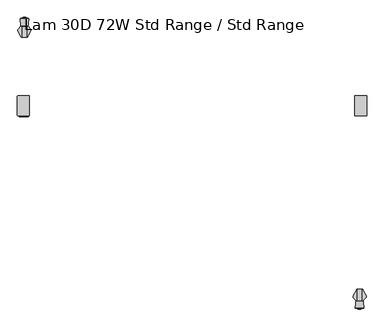
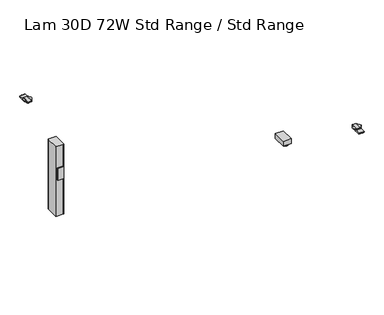
"""IFC4 building model written with IfcOpenShell, lengths in millimetres: furniture geometry, Lam 30D 72W Std Range / Std Range."""

from ifc_helpers import new_model, si_unit, point, frame, frame_2d, origin, place, context, project, spatial, polyline, circle_curve, ellipse_curve, trimmed, segment, composite_curve, outline, extrude, faceted_brep, source, transform, mapped, element, save
from ifc_brep_helpers import plane_surface, cylinder_surface, revolved_surface, advanced_brep


def lam_30d_72w_std_range_std_range_59299fb4(model_context):
    return source(origin(), model_context, "Body", "SolidModel", [
        advanced_brep(
        [(1001.776, 671.3030475, 10.2361894), (1001.776, 657.2832975, 10.2361894), (1001.776, 657.6704727, 8.7946116), (1001.776, 670.9158723, 8.7946116), (1001.776, 664.2931725, 10.2361894), (1001.776, 685.2500609, 0.0), (1001.776, 643.3362842, 0.0), (1001.776, 664.2931725, 0.0), (1001.776, 686.7937912, 1.5436985), (1001.776, 641.7925538, 1.5436985), (1001.776, 686.7937365, 4.1072626), (1001.776, 641.7926085, 4.1072626), (1001.776, 685.2538961, 5.9174378), (1001.776, 643.3324489, 5.9174378)],
        [
            (0, 1, circle_curve(frame((1001.776, 664.2931725, 10.2361894), z_axis=(0.0, 0.0, -1.0), x_axis=(0.0, -1.0000000000000004, 0.0)), 7.009875)),
            (1, 2),
            (2, 3, circle_curve(frame((1001.776, 664.2931725, 8.7946116), z_axis=(0.0, 0.0, 1.0), x_axis=(0.0, -1.0000000000000004, 0.0)), 6.6226998)),
            (3, 0),
            (1, 0, circle_curve(frame((1001.776, 664.2931725, 10.2361894), z_axis=(0.0, 0.0, -1.0), x_axis=(0.0, -1.0000000000000004, 0.0)), 7.009875)),
            (3, 2, circle_curve(frame((1001.776, 664.2931725, 8.7946116), z_axis=(0.0, 0.0, 1.0), x_axis=(0.0, -1.0000000000000004, 0.0)), 6.6226998)),
            (4, 1),
            (0, 4),
            (5, 6, circle_curve(frame((1001.776, 664.2931725, 0.0), z_axis=(0.0, 0.0, -1.0), x_axis=(0.0, -1.0000000000000004, 0.0)), 20.9568884)),
            (6, 7),
            (7, 5),
            (6, 5, circle_curve(frame((1001.776, 664.2931725, 0.0), z_axis=(0.0, 0.0, -1.0), x_axis=(0.0, -1.0000000000000004, 0.0)), 20.9568884)),
            (8, 9, circle_curve(frame((1001.776, 664.2931725, 1.5436985), z_axis=(0.0, 0.0, -1.0), x_axis=(0.0, -1.0000000000000004, 0.0)), 22.5006187)),
            (9, 6),
            (5, 8),
            (9, 8, circle_curve(frame((1001.776, 664.2931725, 1.5436985), z_axis=(0.0, 0.0, -1.0), x_axis=(0.0, -1.0000000000000004, 0.0)), 22.5006187)),
            (10, 11, circle_curve(frame((1001.776, 664.2931725, 4.1072626), z_axis=(0.0, 0.0, -1.0), x_axis=(0.0, -1.0000000000000004, 0.0)), 22.500564)),
            (11, 9),
            (8, 10),
            (11, 10, circle_curve(frame((1001.776, 664.2931725, 4.1072626), z_axis=(0.0, 0.0, -1.0), x_axis=(0.0, -1.0000000000000004, 0.0)), 22.500564)),
            (12, 13, circle_curve(frame((1001.776, 664.2931725, 5.9174378), z_axis=(0.0, 0.0, -1.0), x_axis=(0.0, -1.0000000000000004, 0.0)), 20.9607236)),
            (13, 11),
            (10, 12),
            (13, 12, circle_curve(frame((1001.776, 664.2931725, 5.9174378), z_axis=(0.0, 0.0, -1.0), x_axis=(0.0, -1.0000000000000004, 0.0)), 20.9607236)),
            (2, 13),
            (12, 3),
        ],
        [
            revolved_surface(polyline([(1001.776, 657.6704727, 8.7946116), (1001.776, 657.2832975, 10.2361894)]), (1001.776, 664.2931725, 0.0), (0.0, 0.0, 1.0)),
            plane_surface(frame((1001.776, 664.2931725, 10.2361894), z_axis=(0.0, 0.0, 1.0), x_axis=(0.0, -1.0, 0.0))),
            plane_surface(frame((1001.776, 664.2931725, 0.0), z_axis=(0.0, 0.0, -1.0), x_axis=(0.0, -1.0, 0.0))),
            revolved_surface(polyline([(1001.776, 643.3362842, 0.0), (1001.776, 641.7925538, 1.5436985)]), (1001.776, 664.2931725, 0.0), (0.0, 0.0, 1.0)),
            cylinder_surface(frame((1001.776, 664.2931725, 0.0), z_axis=(0.0, 0.0, 1.0), x_axis=(0.0, -1.0000000000000004, 0.0)), 22.500564),
            revolved_surface(polyline([(1001.776, 641.792463, 4.1072626), (1001.776, 643.3324489, 5.9174378)]), (1001.776, 664.2931725, 0.0), (0.0, 0.0, 1.0)),
            revolved_surface(polyline([(1001.776, 643.3324489, 5.9174378), (1001.776, 657.6704727, 8.7946116)]), (1001.776, 664.2931725, 0.0), (0.0, 0.0, 1.0)),
        ],
        [
            (0, [[1, 2, 3, 4]]),
            (0, [[5, -4, 6, -2]]),
            (1, [[7, -1, 8]]),
            (1, [[-8, -5, -7]]),
            (2, [[9, 10, 11]]),
            (2, [[12, -11, -10]]),
            (3, [[13, 14, -9, 15]]),
            (3, [[16, -15, -12, -14]]),
            (4, [[17, 18, -13, 19]]),
            (4, [[20, -19, -16, -18]]),
            (5, [[21, 22, -17, 23]]),
            (5, [[24, -23, -20, -22]]),
            (6, [[-3, 25, -21, 26]]),
            (6, [[-6, -26, -24, -25]]),
        ],
    ),
        extrude(outline(polyline([(971.8675, 639.5370001), (971.8675, 738.9199959), (1031.6845, 738.9199959), (1031.6845, 639.5370001), (971.8675, 639.5370001)])), frame((0.0, 0.0, 10.2361894), z_axis=(0.0, 0.0, 1.0), x_axis=(1.0, 0.0, 0.0)), (0.0, 0.0, 1.0), 37.8638679),
        extrude(outline(composite_curve([segment(trimmed(circle_curve(frame_2d((-724.5521079, 641.6631049)), 2.3323921), [point((-724.5521079, 639.3307128))], [point((-726.8845, 641.6631049))], False, "CARTESIAN"), True, "CONTINUOUS"), segment(polyline([(-726.8845, 641.6631049), (-726.8845, 736.9473207)]), True, "CONTINUOUS"), segment(trimmed(circle_curve(frame_2d((-724.5521079, 736.9473207)), 2.3323921), [point((-726.8845, 736.9473207))], [point((-724.5521079, 739.2797128))], False, "CARTESIAN"), True, "CONTINUOUS"), segment(polyline([(-724.5521079, 739.2797128), (-669.3998921, 739.2797128)]), True, "CONTINUOUS"), segment(trimmed(circle_curve(frame_2d((-669.3998921, 736.9473207)), 2.3323921), [point((-669.3998921, 739.2797128))], [point((-667.0675, 736.9473207))], False, "CARTESIAN"), True, "CONTINUOUS"), segment(polyline([(-667.0675, 736.9473207), (-667.0675, 641.6631049)]), True, "CONTINUOUS"), segment(trimmed(circle_curve(frame_2d((-669.3998921, 641.6631049)), 2.3323921), [point((-667.0675, 641.6631049))], [point((-669.3998921, 639.3307128))], False, "CARTESIAN"), True, "CONTINUOUS"), segment(polyline([(-669.3998921, 639.3307128), (-724.5521079, 639.3307128)]), True, "CONTINUOUS")], self_intersect=False)), frame((0.0, 0.0, 48.1000573), z_axis=(0.0, 0.0, 1.0), x_axis=(1.0, 0.0, 0.0)), (0.0, 0.0, 1.0), 550.9989485),
        advanced_brep(
        [(-677.6331697, 1035.3628978, 707.009), (-677.6331697, 1035.3628978, 699.7601819), (-676.51166, 1035.3628978, 699.6867914), (-676.51166, 1035.3628978, 707.009), (-673.3278093, 1090.8360352, 703.3228106), (-673.4778673, 1090.8360352, 701.0297138), (-673.8572398, 1090.8360352, 699.5130886), (-677.6331697, 1090.8360352, 699.7601819), (-677.6331697, 1090.8360352, 707.009), (-672.9573081, 1090.8360352, 707.009), (-672.9573081, 1090.8360352, 703.6693631), (-659.2556977, 1066.9139656, 707.009), (-659.2556977, 1072.0993849, 707.009), (-661.1637879, 1075.6879807, 707.009), (-672.9573081, 1088.8863381, 707.009), (-659.5338057, 1066.4054686, 706.0591307), (-659.5338057, 1073.0132102, 706.0591307), (-660.124758, 1065.3249623, 705.2654291), (-660.124758, 1074.2706593, 705.2654291), (-661.0021754, 1063.7206789, 704.7271625), (-661.0021754, 1075.5057944, 704.7271625), (-663.834924, 1058.5412376, 704.5095886), (-663.834924, 1078.6773009, 704.5095886), (-661.1637879, 1075.6879807, 704.7147496), (-672.05964, 1043.50304, 704.5090072), (-672.05964, 1087.8817403, 704.5090072), (-673.3278093, 1041.1842996, 703.3228106), (-672.9573081, 1088.8863381, 703.6693631), (-673.4778673, 1040.9099312, 701.0297138), (-673.8572398, 1040.2162807, 699.5130886)],
        [
            (0, 1),
            (1, 2),
            (2, 3),
            (3, 0),
            (4, 5),
            (5, 6),
            (6, 7),
            (7, 8),
            (8, 9),
            (9, 10),
            (10, 4),
            (8, 0),
            (3, 11),
            (11, 12),
            (12, 13, circle_curve(frame((-667.1824137, 1070.1862479, 707.009), z_axis=(0.0, 0.0, 1.0), x_axis=(-1.0000000000000004, 0.0, 0.0)), 8.1543192)),
            (13, 14),
            (14, 9),
            (11, 15),
            (15, 16),
            (16, 12, ellipse_curve(frame((-667.1824137, 1070.1862479, 679.9355466), z_axis=(0.9597108497777287, 0.0, -0.28098947456961787), x_axis=(-0.28098947456961787, 0.0, -0.9597108497777287)), 29.0200165, 8.1543192)),
            (15, 17),
            (17, 18),
            (18, 16, ellipse_curve(frame((-667.1824137, 1070.1862479, 695.7863691), z_axis=(0.8020925083963487, 0.0, -0.5971998057387943), x_axis=(-0.5971998057387944, 0.0, -0.8020925083963485)), 13.6542563, 8.1543192)),
            (17, 19),
            (19, 20),
            (20, 18, ellipse_curve(frame((-667.1824137, 1070.1862479, 700.9357905), z_axis=(0.5229113139159308, 0.0, -0.8523870938597763), x_axis=(-0.8523870938597765, 0.0, -0.5229113139159306)), 9.5664508, 8.1543192)),
            (19, 21),
            (21, 22),
            (22, 23),
            (23, 20, ellipse_curve(frame((-667.1824137, 1070.1862479, 704.2524791), z_axis=(0.07658109560408619, 0.0, -0.9970633559589269), x_axis=(-0.9970633559589269, 0.0, -0.07658109560408602)), 8.178336, 8.1543192)),
            (21, 24),
            (24, 25),
            (25, 22),
            (26, 4),
            (10, 27),
            (27, 25),
            (24, 26),
            (26, 28),
            (28, 5),
            (28, 29),
            (29, 6),
            (29, 2),
            (1, 7),
            (27, 14),
            (13, 23),
        ],
        [
            plane_surface(frame((-677.6331697, 1035.3628978, 699.5916475), z_axis=(0.0, -1.0, 0.0), x_axis=(0.0, 0.0, -1.0))),
            plane_surface(frame((-677.6331697, 1090.8360352, 699.5916475), z_axis=(0.0, 1.0, 0.0), x_axis=(0.0, 0.0, 1.0))),
            plane_surface(frame((-659.2556977, 1035.3628978, 707.009), z_axis=(0.0, 0.0, 1.0), x_axis=(0.0, 1.0, 0.0))),
            plane_surface(frame((-659.5338057, 1035.3628978, 706.0591307), z_axis=(0.9597108497777287, 0.0, -0.28098947456961787), x_axis=(0.0, 1.0, 0.0))),
            plane_surface(frame((-660.124758, 1035.3628978, 705.2654291), z_axis=(0.8020925083963485, 0.0, -0.5971998057387942), x_axis=(0.0, 1.0, 0.0))),
            plane_surface(frame((-661.0021754, 1035.3628978, 704.7271625), z_axis=(0.5229113139159308, 0.0, -0.8523870938597763), x_axis=(0.0, 1.0, 0.0))),
            plane_surface(frame((-663.834924, 1035.3628978, 704.5095886), z_axis=(0.07658109560408619, 0.0, -0.9970633559589269), x_axis=(0.0, 1.0, 0.0))),
            plane_surface(frame((-672.05964, 1035.3628978, 704.5090072), z_axis=(7.068449081192282e-05, 0.0, -0.9999999975018514), x_axis=(0.0, 1.0, 0.0))),
            plane_surface(frame((-673.3278093, 1035.3628978, 703.3228106), z_axis=(0.6831094450823832, 0.0, -0.7303160179259652), x_axis=(0.0, 1.0, 0.0))),
            plane_surface(frame((-673.4778673, 1035.3628978, 701.0297138), z_axis=(0.9978657180161974, 0.0, -0.06529937831265216), x_axis=(0.0, 1.0, 0.0))),
            plane_surface(frame((-673.8572398, 1035.3628978, 699.5130886), z_axis=(0.9701099565798296, 0.0, -0.24266576220118338), x_axis=(0.0, 1.0, 0.0))),
            plane_surface(frame((-677.6331697, 1035.3628978, 699.7601819), z_axis=(-0.0652993783126831, 0.0, -0.9978657180161954), x_axis=(0.0, 1.0, 0.0))),
            plane_surface(frame((-677.6331697, 1035.3628978, 707.009), z_axis=(-1.0, 0.0, 0.0), x_axis=(0.0, 1.0, 0.0))),
            plane_surface(frame((-658.8963549, 1067.5709936, 736.9304045), z_axis=(0.8773539056662267, -0.4798438539902514, 0.0), x_axis=(0.0, 0.0, -1.0))),
            plane_surface(frame((-672.9573081, 1088.8863381, 713.8028547), z_axis=(0.7456773398656481, 0.666307215037396, 0.0), x_axis=(0.0, 0.0, -1.0))),
            plane_surface(frame((-672.9573081, 1092.0626644, 713.8028547), z_axis=(1.0, 0.0, 0.0), x_axis=(0.0, 0.0, -1.0))),
            cylinder_surface(frame((-667.1824137, 1070.1862479, 14.4554878), z_axis=(0.0, 0.0, -1.0), x_axis=(-1.0000000000000004, 0.0, 0.0)), 8.1543192),
        ],
        [
            (0, [[1, 2, 3, 4]]),
            (1, [[5, 6, 7, 8, 9, 10, 11]]),
            (2, [[12, -4, 13, 14, 15, 16, 17, -9]]),
            (3, [[18, 19, 20, -14]]),
            (4, [[21, 22, 23, -19]]),
            (5, [[24, 25, 26, -22]]),
            (6, [[27, 28, 29, 30, -25]]),
            (7, [[31, 32, 33, -28]]),
            (8, [[34, -11, 35, 36, -32, 37]]),
            (9, [[-5, -34, 38, 39]]),
            (10, [[-6, -39, 40, 41]]),
            (11, [[-7, -41, 42, -2, 43]]),
            (12, [[-1, -12, -8, -43]]),
            (13, [[-3, -42, -40, -38, -37, -31, -27, -24, -21, -18, -13]]),
            (14, [[44, -16, 45, -29, -33, -36]]),
            (15, [[-44, -35, -10, -17]]),
            (16, [[-15, -20, -23, -26, -30, -45]]),
        ],
    ),
        advanced_brep(
        [(-706.2096303, 1035.3628978, 699.7601819), (-706.2096303, 1035.3628978, 707.009), (-707.33114, 1035.3628978, 707.009), (-707.33114, 1035.3628978, 699.6867914), (-706.2096303, 1090.8360352, 707.009), (-706.2096303, 1090.8360352, 699.7601819), (-709.9855602, 1090.8360352, 699.5130886), (-710.3649327, 1090.8360352, 701.0297138), (-710.5149907, 1090.8360352, 703.3228106), (-710.8854919, 1090.8360352, 703.6693631), (-710.8854919, 1090.8360352, 707.009), (-710.8854919, 1088.8863381, 707.009), (-722.6790121, 1075.6879807, 707.009), (-724.5871023, 1072.0993849, 707.009), (-724.5871023, 1066.9139656, 707.009), (-724.3089943, 1066.4054686, 706.0591307), (-724.3089943, 1073.0132102, 706.0591307), (-723.718042, 1065.3249623, 705.2654291), (-723.718042, 1074.2706593, 705.2654291), (-722.8406246, 1063.7206789, 704.7271625), (-722.8406246, 1075.5057944, 704.7271625), (-720.007876, 1058.5412376, 704.5095886), (-722.6790121, 1075.6879807, 704.7147496), (-720.007876, 1078.6773009, 704.5095886), (-711.78316, 1043.50304, 704.5090072), (-711.78316, 1087.8817403, 704.5090072), (-710.5149907, 1041.1842996, 703.3228106), (-710.8854919, 1088.8863381, 703.6693631), (-710.3649327, 1040.9099312, 701.0297138), (-709.9855602, 1040.2162807, 699.5130886)],
        [
            (0, 1),
            (1, 2),
            (2, 3),
            (3, 0),
            (4, 5),
            (5, 6),
            (6, 7),
            (7, 8),
            (8, 9),
            (9, 10),
            (10, 4),
            (1, 4),
            (10, 11),
            (11, 12),
            (12, 13, circle_curve(frame((-716.6603863, 1070.1862479, 707.009), z_axis=(0.0, 0.0, 1.0), x_axis=(1.0000000000000004, 0.0, 0.0)), 8.1543192)),
            (13, 14),
            (14, 2),
            (15, 14),
            (13, 16, ellipse_curve(frame((-716.6603863, 1070.1862479, 679.9355466), z_axis=(-0.9597108497777287, 0.0, -0.28098947456961787), x_axis=(0.28098947456961787, 0.0, -0.9597108497777287)), 29.0200165, 8.1543192)),
            (16, 15),
            (17, 15),
            (16, 18, ellipse_curve(frame((-716.6603863, 1070.1862479, 695.7863691), z_axis=(-0.8020925083963487, 0.0, -0.5971998057387943), x_axis=(0.5971998057387944, 0.0, -0.8020925083963485)), 13.6542563, 8.1543192)),
            (18, 17),
            (19, 17),
            (18, 20, ellipse_curve(frame((-716.6603863, 1070.1862479, 700.9357905), z_axis=(-0.5229113139159308, 0.0, -0.8523870938597763), x_axis=(0.8523870938597765, 0.0, -0.5229113139159306)), 9.5664508, 8.1543192)),
            (20, 19),
            (21, 19),
            (20, 22, ellipse_curve(frame((-716.6603863, 1070.1862479, 704.2524791), z_axis=(-0.07658109560408913, 0.0, -0.9970633559589267), x_axis=(0.9970633559589267, 0.0, -0.07658109560408889)), 8.178336, 8.1543192)),
            (22, 23),
            (23, 21),
            (24, 21),
            (23, 25),
            (25, 24),
            (8, 26),
            (26, 24),
            (25, 27),
            (27, 9),
            (7, 28),
            (28, 26),
            (6, 29),
            (29, 28),
            (5, 0),
            (3, 29),
            (11, 27),
            (22, 12),
        ],
        [
            plane_surface(frame((-708.2451645, 1035.3628978, 707.009), z_axis=(0.0, -1.0, 0.0), x_axis=(-1.0, 0.0, 0.0))),
            plane_surface(frame((-708.2451645, 1090.8360352, 707.009), z_axis=(0.0, 1.0, 0.0), x_axis=(1.0, 0.0, 0.0))),
            plane_surface(frame((-706.2096303, 1035.3628978, 707.009), z_axis=(0.0, 0.0, 1.0), x_axis=(0.0, 1.0, 0.0))),
            plane_surface(frame((-724.5871023, 1035.3628978, 707.009), z_axis=(-0.9597108497777287, 0.0, -0.28098947456961787), x_axis=(0.0, 1.0, 0.0))),
            plane_surface(frame((-724.3089943, 1035.3628978, 706.0591307), z_axis=(-0.8020925083963485, 0.0, -0.5971998057387942), x_axis=(0.0, 1.0, 0.0))),
            plane_surface(frame((-723.718042, 1035.3628978, 705.2654291), z_axis=(-0.5229113139159308, 0.0, -0.8523870938597763), x_axis=(0.0, 1.0, 0.0))),
            plane_surface(frame((-722.8406246, 1035.3628978, 704.7271625), z_axis=(-0.07658109560408913, 0.0, -0.9970633559589267), x_axis=(0.0, 1.0, 0.0))),
            plane_surface(frame((-720.007876, 1035.3628978, 704.5095886), z_axis=(-7.068449081192188e-05, 0.0, -0.9999999975018514), x_axis=(0.0, 1.0, 0.0))),
            plane_surface(frame((-711.78316, 1035.3628978, 704.5090072), z_axis=(-0.683109445082383, 0.0, -0.7303160179259655), x_axis=(0.0, 1.0, 0.0))),
            plane_surface(frame((-710.5149907, 1035.3628978, 703.3228106), z_axis=(-0.9978657180161974, 0.0, -0.06529937831265216), x_axis=(0.0, 1.0, 0.0))),
            plane_surface(frame((-710.3649327, 1035.3628978, 701.0297138), z_axis=(-0.9701099565798296, 0.0, -0.24266576220118338), x_axis=(0.0, 1.0, 0.0))),
            plane_surface(frame((-709.9855602, 1035.3628978, 699.5130886), z_axis=(0.06529937831268308, 0.0, -0.9978657180161954), x_axis=(0.0, 1.0, 0.0))),
            plane_surface(frame((-706.2096303, 1035.3628978, 699.7601819), z_axis=(1.0, 0.0, 0.0), x_axis=(0.0, 1.0, 0.0))),
            plane_surface(frame((-707.33114, 1035.3628978, 736.9304045), z_axis=(-0.8773539056662298, -0.47984385399024576, 0.0), x_axis=(0.0, 0.0, -1.0))),
            plane_surface(frame((-722.6790121, 1075.6879807, 713.8028547), z_axis=(-0.7456773398656439, 0.6663072150374009, 0.0), x_axis=(0.0, 0.0, -1.0))),
            plane_surface(frame((-710.8854919, 1088.8863381, 713.8028547), z_axis=(-1.0, 0.0, 0.0), x_axis=(0.0, 0.0, -1.0))),
            cylinder_surface(frame((-716.6603863, 1070.1862479, 14.4554878), z_axis=(0.0, 0.0, -1.0), x_axis=(1.0000000000000004, 0.0, 0.0)), 8.1543192),
        ],
        [
            (0, [[1, 2, 3, 4]]),
            (1, [[5, 6, 7, 8, 9, 10, 11]]),
            (2, [[12, -11, 13, 14, 15, 16, 17, -2]]),
            (3, [[18, -16, 19, 20]]),
            (4, [[21, -20, 22, 23]]),
            (5, [[24, -23, 25, 26]]),
            (6, [[27, -26, 28, 29, 30]]),
            (7, [[31, -30, 32, 33]]),
            (8, [[34, 35, -33, 36, 37, -9]]),
            (9, [[-8, 38, 39, -34]]),
            (10, [[-7, 40, 41, -38]]),
            (11, [[-6, 42, -4, 43, -40]]),
            (12, [[-1, -42, -5, -12]]),
            (13, [[-3, -17, -18, -21, -24, -27, -31, -35, -39, -41, -43]]),
            (14, [[44, -36, -32, -29, 45, -14]]),
            (15, [[-44, -13, -10, -37]]),
            (16, [[-15, -45, -28, -25, -22, -19]]),
        ],
    ),
        advanced_brep(
        [(-675.4317452, 1071.8221186, 687.5130243), (-675.4317452, 1075.6963371, 686.7270984), (-675.4317452, 1077.8255676, 686.4538593), (-675.4317452, 1079.7968499, 686.3113535), (-675.4317452, 1081.8293203, 686.3263235), (-675.4317452, 1083.869203, 686.5748548), (-675.4317452, 1091.5328704, 699.5916475), (-675.4317452, 1090.6843394, 707.009), (-675.4317452, 1054.9216668, 707.009), (-675.4317452, 1054.9216668, 691.5486428), (-708.2451645, 1090.6843394, 707.009), (-708.2451645, 1091.5328704, 699.5916475), (-708.2451645, 1083.869203, 686.5748548), (-708.2451645, 1081.8293203, 686.3263235), (-708.2451645, 1079.7968499, 686.3113535), (-708.2451645, 1077.8255676, 686.4538593), (-708.2451645, 1075.6963371, 686.7270984), (-708.2451645, 1071.8221186, 687.5130243), (-708.2451645, 1056.0256731, 691.2850198), (-708.2451645, 1056.0256731, 707.009), (-707.3063131, 1035.6569697, 707.009), (-705.6193974, 1034.3300757, 707.009), (-678.0066255, 1034.3300757, 707.009), (-676.3197098, 1035.6569697, 707.009), (-706.4875126, 1034.5633827, 703.6727211), (-677.1385102, 1034.5633827, 703.6727211), (-706.8291096, 1034.8218335, 702.077615), (-676.7969133, 1034.8218335, 702.077615), (-707.1802739, 1035.3072326, 700.5540161), (-676.445749, 1035.3072326, 700.5540161), (-707.3063131, 1035.6569697, 699.8612029), (-707.3229046, 1036.0169277, 699.1481426), (-676.3031183, 1036.0169277, 699.1481426), (-676.3197098, 1035.6569697, 699.8612029), (-707.3646804, 1036.9232677, 697.8897165), (-676.2613425, 1036.9232677, 697.8897165), (-707.4167075, 1038.0520142, 696.7530853), (-676.2093154, 1038.0520142, 696.7530853), (-707.541025, 1040.7491243, 695.0864719), (-676.0849979, 1040.7491243, 695.0864719), (-707.6116573, 1042.2815162, 694.5669542), (-676.0143656, 1042.2815162, 694.5669542)],
        [
            (0, 1),
            (1, 2),
            (2, 3),
            (3, 4),
            (4, 5),
            (5, 6),
            (6, 7),
            (7, 8),
            (8, 9),
            (9, 0),
            (10, 11),
            (11, 12),
            (12, 13),
            (13, 14),
            (14, 15),
            (15, 16),
            (16, 17),
            (17, 18),
            (18, 19),
            (19, 10),
            (7, 10),
            (19, 20),
            (20, 21, circle_curve(frame((-705.6177592, 1036.0679158, 707.009), z_axis=(0.0, 0.0, 1.0), x_axis=(1.0000000000000004, 0.0, 0.0)), 1.7378408)),
            (21, 22),
            (22, 23, circle_curve(frame((-678.0082636, 1036.0679158, 707.009), z_axis=(0.0, 0.0, 1.0), x_axis=(-1.0000000000000004, 0.0, 0.0)), 1.7378408)),
            (23, 8),
            (21, 24, ellipse_curve(frame((-705.6177592, 1036.0679158, 682.1579681), z_axis=(0.0, -0.997563808233696, -0.06975993479273002), x_axis=(0.0, 0.06975993479273002, -0.997563808233696)), 24.9117327, 1.7378408)),
            (24, 25),
            (25, 22, ellipse_curve(frame((-678.0082636, 1036.0679158, 682.1579681), z_axis=(0.0, -0.997563808233696, -0.06975993479273002), x_axis=(0.0, 0.06975993479273002, -0.997563808233696)), 24.9117327, 1.7378408)),
            (24, 26, ellipse_curve(frame((-705.6177592, 1036.0679158, 694.3870466), z_axis=(0.0, -0.9871264986508672, -0.15994147573809486), x_axis=(0.0, 0.15994147573809486, -0.9871264986508672)), 10.8654796, 1.7378408)),
            (26, 27),
            (27, 25, ellipse_curve(frame((-678.0082636, 1036.0679158, 694.3870466), z_axis=(0.0, -0.9871264986508672, -0.15994147573809486), x_axis=(0.0, 0.15994147573809486, -0.9871264986508672)), 10.8654796, 1.7378408)),
            (26, 28, ellipse_curve(frame((-705.6177592, 1036.0679158, 698.1663399), z_axis=(0.0, -0.9528141049574114, -0.3035544125757477), x_axis=(0.0, 0.3035544125757477, -0.9528141049574111)), 5.7249731, 1.7378408)),
            (28, 29),
            (29, 27, ellipse_curve(frame((-678.0082636, 1036.0679158, 698.1663399), z_axis=(0.0, -0.9528141049574114, -0.3035544125757477), x_axis=(0.0, 0.3035544125757477, -0.9528141049574111)), 5.7249731, 1.7378408)),
            (30, 31),
            (31, 32),
            (32, 33),
            (33, 29, ellipse_curve(frame((-678.0082636, 1036.0679158, 699.0471375), z_axis=(0.0, -0.8927040411549354, -0.45064342323576334), x_axis=(0.0, 0.45064342323576334, -0.8927040411549354)), 3.8563546, 1.7378408)),
            (28, 30, ellipse_curve(frame((-705.6177592, 1036.0679158, 699.0471375), z_axis=(0.0, -0.8927040411549354, -0.45064342323576334), x_axis=(0.0, 0.45064342323576334, -0.8927040411549354)), 3.8563546, 1.7378408)),
            (31, 34),
            (34, 35),
            (35, 32),
            (34, 36),
            (36, 37),
            (37, 35),
            (36, 38),
            (38, 39),
            (39, 37),
            (38, 40),
            (40, 41),
            (41, 39),
            (17, 0),
            (9, 41),
            (40, 18),
            (16, 1),
            (15, 2),
            (14, 3),
            (13, 4),
            (12, 5),
            (11, 6),
            (30, 20),
            (23, 33),
        ],
        [
            plane_surface(frame((-675.4317452, 1076.1473996, 707.009), z_axis=(1.0, 0.0, 0.0), x_axis=(0.0, -1.0, 0.0))),
            plane_surface(frame((-708.2451645, 1076.1473996, 707.009), z_axis=(-1.0, 0.0, 0.0), x_axis=(0.0, 1.0, 0.0))),
            plane_surface(frame((-675.4317452, 1090.6843394, 707.009), z_axis=(0.0, 0.0, 1.0), x_axis=(-1.0, 0.0, 0.0))),
            plane_surface(frame((-675.4317452, 1034.3300757, 707.009), z_axis=(0.0, -0.997563808233696, -0.06975993479273002), x_axis=(-1.0, 0.0, 0.0))),
            plane_surface(frame((-675.4317452, 1034.5633827, 703.6727211), z_axis=(0.0, -0.9871264986508672, -0.15994147573809486), x_axis=(-1.0, 0.0, 0.0))),
            plane_surface(frame((-675.4317452, 1034.8218335, 702.077615), z_axis=(0.0, -0.9528141049574114, -0.3035544125757477), x_axis=(-1.0, 0.0, 0.0))),
            plane_surface(frame((-675.4317452, 1035.3072326, 700.5540161), z_axis=(0.0, -0.8927040411549354, -0.45064342323576334), x_axis=(-1.0, 0.0, 0.0))),
            plane_surface(frame((-675.4317452, 1036.0169277, 699.1481426), z_axis=(0.0, -0.8114507875380343, -0.5844207554526992), x_axis=(-1.0, 0.0, 0.0))),
            plane_surface(frame((-675.4317452, 1036.9232677, 697.8897165), z_axis=(0.0, -0.7095635828811538, -0.704641413662907), x_axis=(-1.0, 0.0, 0.0))),
            plane_surface(frame((-675.4317452, 1038.0520142, 696.7530853), z_axis=(0.0, -0.5256643953018257, -0.8506920379972802), x_axis=(-1.0, 0.0, 0.0))),
            plane_surface(frame((-675.4317452, 1040.7491243, 695.0864719), z_axis=(0.0, -0.32107410172322687, -0.9470540751206464), x_axis=(-1.0, 0.0, 0.0))),
            plane_surface(frame((-675.4317452, 1042.2815162, 694.5669542), z_axis=(0.0, -0.23225778917580214, -0.9726542650742702), x_axis=(-1.0, 0.0, 0.0))),
            plane_surface(frame((-675.4317452, 1071.8221186, 687.5130243), z_axis=(0.0, -0.1988109622365402, -0.9800378570721546), x_axis=(-1.0, 0.0, 0.0))),
            plane_surface(frame((-675.4317452, 1075.6963371, 686.7270984), z_axis=(0.0, -0.12728387031952282, -0.9918663298834591), x_axis=(-1.0, 0.0, 0.0))),
            plane_surface(frame((-675.4317452, 1077.8255676, 686.4538593), z_axis=(0.0, -0.07210277493300893, -0.997397207659496), x_axis=(-1.0, 0.0, 0.0))),
            plane_surface(frame((-675.4317452, 1079.7968499, 686.3113535), z_axis=(0.0, 0.007365229187275849, -0.9999728763316628), x_axis=(-1.0, 0.0, 0.0))),
            plane_surface(frame((-675.4317452, 1081.8293203, 686.3263235), z_axis=(0.0, 0.12094176610084176, -0.992659603898743), x_axis=(-1.0, 0.0, 0.0))),
            plane_surface(frame((-675.4317452, 1083.869203, 686.5748548), z_axis=(0.0, 0.8617394273144984, -0.5073511204399574), x_axis=(-1.0, 0.0, 0.0))),
            plane_surface(frame((-675.4317452, 1091.5328704, 699.5916475), z_axis=(0.0, 0.9935200698495489, 0.11365681152551964), x_axis=(-1.0, 0.0, 0.0))),
            plane_surface(frame((-707.3063131, 1035.6569697, 720.4978518), z_axis=(-0.9989394147117107, -0.04604395438518504, 0.0), x_axis=(0.0, 0.0, -1.0))),
            cylinder_surface(frame((-705.6177592, 1036.0679158, 677.6853687), z_axis=(0.0, 0.0, -1.0), x_axis=(1.0000000000000004, 0.0, 0.0)), 1.7378408),
            plane_surface(frame((-673.6404627, 1093.784156, 720.4978518), z_axis=(0.9989394147117103, -0.04604395438519144, 0.0), x_axis=(0.0, 0.0, -1.0))),
            cylinder_surface(frame((-678.0082636, 1036.0679158, 677.6853687), z_axis=(0.0, 0.0, -1.0), x_axis=(-1.0000000000000004, 0.0, 0.0)), 1.7378408),
        ],
        [
            (0, [[1, 2, 3, 4, 5, 6, 7, 8, 9, 10]]),
            (1, [[11, 12, 13, 14, 15, 16, 17, 18, 19, 20]]),
            (2, [[21, -20, 22, 23, 24, 25, 26, -8]]),
            (3, [[27, 28, 29, -24]]),
            (4, [[30, 31, 32, -28]]),
            (5, [[33, 34, 35, -31]]),
            (6, [[36, 37, 38, 39, -34, 40]]),
            (7, [[41, 42, 43, -37]]),
            (8, [[44, 45, 46, -42]]),
            (9, [[47, 48, 49, -45]]),
            (10, [[50, 51, 52, -48]]),
            (11, [[53, -10, 54, -51, 55, -18]]),
            (12, [[-1, -53, -17, 56]]),
            (13, [[-2, -56, -16, 57]]),
            (14, [[-3, -57, -15, 58]]),
            (15, [[-4, -58, -14, 59]]),
            (16, [[-5, -59, -13, 60]]),
            (17, [[-6, -60, -12, 61]]),
            (18, [[-7, -61, -11, -21]]),
            (19, [[62, -22, -19, -55, -50, -47, -44, -41, -36]]),
            (20, [[-62, -40, -33, -30, -27, -23]]),
            (21, [[63, -38, -43, -46, -49, -52, -54, -9, -26]]),
            (22, [[-63, -25, -29, -32, -35, -39]]),
        ],
    ),
        faceted_brep([(-674.201947, 1080.6279947, 699.023888), (-674.0056147, 1083.5645029, 699.8697046), (-709.5145074, 1083.5645029, 699.8697046), (-709.3791554, 1080.6279947, 699.023888), (-674.3465732, 1078.4648454, 697.1301699), (-709.2794497, 1078.4648454, 697.1301699), (-674.4145724, 1077.4477927, 694.8631571), (-709.2325708, 1077.4477927, 694.8631571), (-674.4293768, 1077.2263672, 693.5281368), (-709.2223647, 1077.2263672, 693.5281368), (-674.4261142, 1077.2751651, 692.246311), (-709.2246139, 1077.2751651, 692.246311), (-674.4106539, 1077.506401, 690.9650665), (-709.2352722, 1077.506401, 690.9650665), (-674.3493839, 1078.4228058, 689.126952), (-709.2775119, 1078.4228058, 689.126952), (-674.2326986, 1080.1680481, 687.4682596), (-709.3579551, 1080.1680481, 687.4682596), (-674.0544858, 1082.8335468, 686.4432495), (-709.4808155, 1082.8335468, 686.4432495), (-673.962786, 1084.2050837, 686.3717422), (-709.5440336, 1084.2050837, 686.3717422), (-671.0473822, 1127.8102709, 693.0389952), (-709.9855602, 1093.784156, 687.8363867), (-710.5204622, 1093.784156, 687.8363867), (-712.7954178, 1127.8102709, 693.0389952), (-671.0040016, 1128.4591078, 693.1389153), (-712.8387984, 1128.4591078, 693.1389153), (-711.416104, 1129.5267722, 693.3033343), (-708.0218056, 1130.7760783, 693.495726), (-675.8209944, 1130.7760783, 693.495726), (-672.426696, 1129.5267722, 693.3033343), (-681.0962098, 1132.7176749, 693.7930916), (-702.7465902, 1132.7176749, 693.7930916), (-685.3723762, 1134.2915613, 694.9280514), (-698.4704238, 1134.2915613, 694.9280514), (-685.0005958, 1134.1547238, 697.2254402), (-698.8422042, 1134.1547238, 697.2254402), (-680.5815491, 1132.5282488, 698.1600857), (-703.2612509, 1132.5282488, 698.1600857), (-673.1840778, 1129.8055343, 698.2561186), (-710.6587222, 1129.8055343, 698.2561186), (-671.0040016, 1128.4591078, 698.3031023), (-672.426696, 1129.5267722, 698.265846), (-711.416104, 1129.5267722, 698.265846), (-712.8387984, 1128.4591078, 698.3031023), (-710.5204622, 1093.784156, 699.5130886), (-709.9855602, 1093.784156, 699.5130886)], [[[0, 1, 2, 3]], [[4, 0, 3, 5]], [[6, 4, 5, 7]], [[8, 6, 7, 9]], [[10, 8, 9, 11]], [[12, 10, 11, 13]], [[14, 12, 13, 15]], [[16, 14, 15, 17]], [[18, 16, 17, 19]], [[20, 18, 19, 21]], [[22, 20, 21, 23, 24, 25]], [[26, 22, 25, 27, 28, 29, 30, 31]], [[32, 30, 29, 33]], [[34, 32, 33, 35]], [[36, 34, 35, 37]], [[38, 36, 37, 39]], [[40, 38, 39, 41]], [[1, 42, 43, 40, 41, 44, 45, 46, 47, 2]], [[26, 42, 1, 0, 4, 6, 8, 10, 12, 14, 16, 18, 20, 22]], [[43, 31, 30, 32, 34, 36, 38, 40]], [[42, 26, 31, 43]], [[47, 23, 21, 19, 17, 15, 13, 11, 9, 7, 5, 3, 2]], [[23, 47, 46, 24]], [[45, 27, 25, 24, 46]], [[28, 44, 41, 39, 37, 35, 33, 29]], [[44, 28, 27, 45]]]),
        advanced_brep(
        [(982.4331697, -236.8376979, 707.009), (982.4331697, -236.8376979, 699.7601819), (981.31166, -236.8376979, 699.6867914), (981.31166, -236.8376979, 707.009), (978.1278093, -292.3108353, 703.3228106), (978.2778673, -292.3108353, 701.0297138), (978.6572398, -292.3108353, 699.5130886), (982.4331697, -292.3108353, 699.7601819), (982.4331697, -292.3108353, 707.009), (977.7573081, -292.3108353, 707.009), (977.7573081, -292.3108353, 703.6693631), (964.0556977, -268.3887657, 707.009), (964.0556977, -273.574185, 707.009), (965.9637879, -277.1627808, 707.009), (977.7573081, -290.3611382, 707.009), (964.3338057, -267.8802687, 706.0591307), (964.3338057, -274.4880103, 706.0591307), (964.924758, -266.7997624, 705.2654291), (964.924758, -275.7454594, 705.2654291), (965.8021754, -265.195479, 704.7271625), (965.8021754, -276.9805945, 704.7271625), (968.634924, -260.0160377, 704.5095886), (968.634924, -280.152101, 704.5095886), (965.9637879, -277.1627808, 704.7147496), (976.85964, -244.9778401, 704.5090072), (976.85964, -289.3565404, 704.5090072), (978.1278093, -242.6590997, 703.3228106), (977.7573081, -290.3611382, 703.6693631), (978.2778673, -242.3847313, 701.0297138), (978.6572398, -241.6910808, 699.5130886)],
        [
            (0, 1),
            (1, 2),
            (2, 3),
            (3, 0),
            (4, 5),
            (5, 6),
            (6, 7),
            (7, 8),
            (8, 9),
            (9, 10),
            (10, 4),
            (8, 0),
            (3, 11),
            (11, 12),
            (12, 13, circle_curve(frame((971.9824137, -271.661048, 707.009), z_axis=(0.0, 0.0, 1.0), x_axis=(1.0, 0.0, 0.0)), 8.1543192)),
            (13, 14),
            (14, 9),
            (11, 15),
            (15, 16),
            (16, 12, ellipse_curve(frame((971.9824137, -271.661048, 679.9355466), z_axis=(-0.9597108497777287, 0.0, -0.28098947456961776), x_axis=(0.28098947456961776, 0.0, -0.9597108497777287)), 29.0200165, 8.1543192)),
            (15, 17),
            (17, 18),
            (18, 16, ellipse_curve(frame((971.9824137, -271.661048, 695.7863691), z_axis=(-0.8020925083963487, 0.0, -0.597199805738794), x_axis=(0.5971998057387942, 0.0, -0.8020925083963487)), 13.6542563, 8.1543192)),
            (17, 19),
            (19, 20),
            (20, 18, ellipse_curve(frame((971.9824137, -271.661048, 700.9357905), z_axis=(-0.5229113139159309, 0.0, -0.8523870938597762), x_axis=(0.8523870938597762, 0.0, -0.5229113139159307)), 9.5664508, 8.1543192)),
            (19, 21),
            (21, 22),
            (22, 23),
            (23, 20, ellipse_curve(frame((971.9824137, -271.661048, 704.2524791), z_axis=(-0.07658109560408621, 0.0, -0.9970633559589269), x_axis=(0.9970633559589269, 0.0, -0.076581095604086)), 8.178336, 8.1543192)),
            (21, 24),
            (24, 25),
            (25, 22),
            (26, 4),
            (10, 27),
            (27, 25),
            (24, 26),
            (26, 28),
            (28, 5),
            (28, 29),
            (29, 6),
            (29, 2),
            (1, 7),
            (27, 14),
            (13, 23),
        ],
        [
            plane_surface(frame((982.4331697, -236.8376979, 699.5916475), z_axis=(0.0, 1.0, 0.0), x_axis=(0.0, 0.0, -1.0))),
            plane_surface(frame((982.4331697, -292.3108353, 699.5916475), z_axis=(0.0, -1.0, 0.0), x_axis=(0.0, 0.0, 1.0))),
            plane_surface(frame((964.0556977, -236.8376979, 707.009), z_axis=(0.0, 0.0, 1.0), x_axis=(0.0, -1.0, 0.0))),
            plane_surface(frame((964.3338057, -236.8376979, 706.0591307), z_axis=(-0.9597108497777287, 0.0, -0.28098947456961776), x_axis=(0.0, -1.0, 0.0))),
            plane_surface(frame((964.924758, -236.8376979, 705.2654291), z_axis=(-0.8020925083963487, 0.0, -0.597199805738794), x_axis=(0.0, -1.0, 0.0))),
            plane_surface(frame((965.8021754, -236.8376979, 704.7271625), z_axis=(-0.5229113139159309, 0.0, -0.8523870938597762), x_axis=(0.0, -1.0, 0.0))),
            plane_surface(frame((968.634924, -236.8376979, 704.5095886), z_axis=(-0.07658109560408621, 0.0, -0.9970633559589269), x_axis=(0.0, -1.0, 0.0))),
            plane_surface(frame((976.85964, -236.8376979, 704.5090072), z_axis=(-7.068449081192285e-05, 0.0, -0.9999999975018514), x_axis=(0.0, -1.0, 0.0))),
            plane_surface(frame((978.1278093, -236.8376979, 703.3228106), z_axis=(-0.6831094450823834, 0.0, -0.730316017925965), x_axis=(0.0, -1.0, 0.0))),
            plane_surface(frame((978.2778673, -236.8376979, 701.0297138), z_axis=(-0.9978657180161974, 0.0, -0.06529937831265213), x_axis=(0.0, -1.0, 0.0))),
            plane_surface(frame((978.6572398, -236.8376979, 699.5130886), z_axis=(-0.9701099565798296, 0.0, -0.24266576220118327), x_axis=(0.0, -1.0, 0.0))),
            plane_surface(frame((982.4331697, -236.8376979, 699.7601819), z_axis=(0.06529937831268313, 0.0, -0.9978657180161954), x_axis=(0.0, -1.0, 0.0))),
            plane_surface(frame((982.4331697, -236.8376979, 707.009), z_axis=(1.0, 0.0, 0.0), x_axis=(0.0, -1.0, 0.0))),
            plane_surface(frame((963.6963549, -269.0457936, 736.9304045), z_axis=(-0.8773539056662283, 0.4798438539902486, 0.0), x_axis=(0.0, 0.0, -1.0))),
            plane_surface(frame((977.7573081, -290.3611382, 713.8028547), z_axis=(-0.745677339865646, -0.6663072150373984, 0.0), x_axis=(0.0, 0.0, -1.0))),
            plane_surface(frame((977.7573081, -293.5374645, 713.8028547), z_axis=(-1.0, 0.0, 0.0), x_axis=(0.0, 0.0, -1.0))),
            cylinder_surface(frame((971.9824137, -271.661048, 14.4554878), z_axis=(0.0, 0.0, -1.0), x_axis=(1.0, 0.0, 0.0)), 8.1543192),
        ],
        [
            (0, [[1, 2, 3, 4]]),
            (1, [[5, 6, 7, 8, 9, 10, 11]]),
            (2, [[12, -4, 13, 14, 15, 16, 17, -9]]),
            (3, [[18, 19, 20, -14]]),
            (4, [[21, 22, 23, -19]]),
            (5, [[24, 25, 26, -22]]),
            (6, [[27, 28, 29, 30, -25]]),
            (7, [[31, 32, 33, -28]]),
            (8, [[34, -11, 35, 36, -32, 37]]),
            (9, [[-5, -34, 38, 39]]),
            (10, [[-6, -39, 40, 41]]),
            (11, [[-7, -41, 42, -2, 43]]),
            (12, [[-1, -12, -8, -43]]),
            (13, [[-3, -42, -40, -38, -37, -31, -27, -24, -21, -18, -13]]),
            (14, [[44, -16, 45, -29, -33, -36]]),
            (15, [[-44, -35, -10, -17]]),
            (16, [[-15, -20, -23, -26, -30, -45]]),
        ],
    ),
        advanced_brep(
        [(1011.0096303, -236.8376979, 699.7601819), (1011.0096303, -236.8376979, 707.009), (1012.13114, -236.8376979, 707.009), (1012.13114, -236.8376979, 699.6867914), (1011.0096303, -292.3108353, 707.009), (1011.0096303, -292.3108353, 699.7601819), (1014.7855602, -292.3108353, 699.5130886), (1015.1649327, -292.3108353, 701.0297138), (1015.3149907, -292.3108353, 703.3228106), (1015.6854919, -292.3108353, 703.6693631), (1015.6854919, -292.3108353, 707.009), (1015.6854919, -290.3611382, 707.009), (1027.4790121, -277.1627808, 707.009), (1029.3871023, -273.574185, 707.009), (1029.3871023, -268.3887657, 707.009), (1029.1089943, -267.8802687, 706.0591307), (1029.1089943, -274.4880103, 706.0591307), (1028.518042, -266.7997624, 705.2654291), (1028.518042, -275.7454594, 705.2654291), (1027.6406246, -265.195479, 704.7271625), (1027.6406246, -276.9805945, 704.7271625), (1024.807876, -260.0160377, 704.5095886), (1027.4790121, -277.1627808, 704.7147496), (1024.807876, -280.152101, 704.5095886), (1016.58316, -244.9778401, 704.5090072), (1016.58316, -289.3565404, 704.5090072), (1015.3149907, -242.6590997, 703.3228106), (1015.6854919, -290.3611382, 703.6693631), (1015.1649327, -242.3847313, 701.0297138), (1014.7855602, -241.6910808, 699.5130886)],
        [
            (0, 1),
            (1, 2),
            (2, 3),
            (3, 0),
            (4, 5),
            (5, 6),
            (6, 7),
            (7, 8),
            (8, 9),
            (9, 10),
            (10, 4),
            (1, 4),
            (10, 11),
            (11, 12),
            (12, 13, circle_curve(frame((1021.4603863, -271.661048, 707.009), z_axis=(0.0, 0.0, 1.0), x_axis=(-1.0, 0.0, 0.0)), 8.1543192)),
            (13, 14),
            (14, 2),
            (15, 14),
            (13, 16, ellipse_curve(frame((1021.4603863, -271.661048, 679.9355466), z_axis=(0.9597108497777287, 0.0, -0.28098947456961776), x_axis=(-0.28098947456961776, 0.0, -0.9597108497777287)), 29.0200165, 8.1543192)),
            (16, 15),
            (17, 15),
            (16, 18, ellipse_curve(frame((1021.4603863, -271.661048, 695.7863691), z_axis=(0.8020925083963487, 0.0, -0.597199805738794), x_axis=(-0.5971998057387942, 0.0, -0.8020925083963487)), 13.6542563, 8.1543192)),
            (18, 17),
            (19, 17),
            (18, 20, ellipse_curve(frame((1021.4603863, -271.661048, 700.9357905), z_axis=(0.5229113139159309, 0.0, -0.8523870938597762), x_axis=(-0.8523870938597762, 0.0, -0.5229113139159307)), 9.5664508, 8.1543192)),
            (20, 19),
            (21, 19),
            (20, 22, ellipse_curve(frame((1021.4603863, -271.661048, 704.2524791), z_axis=(0.07658109560408916, 0.0, -0.9970633559589267), x_axis=(-0.9970633559589266, 0.0, -0.07658109560408885)), 8.178336, 8.1543192)),
            (22, 23),
            (23, 21),
            (24, 21),
            (23, 25),
            (25, 24),
            (8, 26),
            (26, 24),
            (25, 27),
            (27, 9),
            (7, 28),
            (28, 26),
            (6, 29),
            (29, 28),
            (5, 0),
            (3, 29),
            (11, 27),
            (22, 12),
        ],
        [
            plane_surface(frame((1013.0451645, -236.8376979, 707.009), z_axis=(0.0, 1.0, 0.0), x_axis=(1.0, 0.0, 0.0))),
            plane_surface(frame((1013.0451645, -292.3108353, 707.009), z_axis=(0.0, -1.0, 0.0), x_axis=(-1.0, 0.0, 0.0))),
            plane_surface(frame((1011.0096303, -236.8376979, 707.009), z_axis=(0.0, 0.0, 1.0), x_axis=(0.0, -1.0, 0.0))),
            plane_surface(frame((1029.3871023, -236.8376979, 707.009), z_axis=(0.9597108497777287, 0.0, -0.28098947456961776), x_axis=(0.0, -1.0, 0.0))),
            plane_surface(frame((1029.1089943, -236.8376979, 706.0591307), z_axis=(0.8020925083963487, 0.0, -0.597199805738794), x_axis=(0.0, -1.0, 0.0))),
            plane_surface(frame((1028.518042, -236.8376979, 705.2654291), z_axis=(0.5229113139159309, 0.0, -0.8523870938597762), x_axis=(0.0, -1.0, 0.0))),
            plane_surface(frame((1027.6406246, -236.8376979, 704.7271625), z_axis=(0.07658109560408916, 0.0, -0.9970633559589267), x_axis=(0.0, -1.0, 0.0))),
            plane_surface(frame((1024.807876, -236.8376979, 704.5095886), z_axis=(7.068449081192191e-05, 0.0, -0.9999999975018514), x_axis=(0.0, -1.0, 0.0))),
            plane_surface(frame((1016.58316, -236.8376979, 704.5090072), z_axis=(0.6831094450823831, 0.0, -0.7303160179259652), x_axis=(0.0, -1.0, 0.0))),
            plane_surface(frame((1015.3149907, -236.8376979, 703.3228106), z_axis=(0.9978657180161974, 0.0, -0.06529937831265213), x_axis=(0.0, -1.0, 0.0))),
            plane_surface(frame((1015.1649327, -236.8376979, 701.0297138), z_axis=(0.9701099565798296, 0.0, -0.24266576220118327), x_axis=(0.0, -1.0, 0.0))),
            plane_surface(frame((1014.7855602, -236.8376979, 699.5130886), z_axis=(-0.0652993783126831, 0.0, -0.9978657180161954), x_axis=(0.0, -1.0, 0.0))),
            plane_surface(frame((1011.0096303, -236.8376979, 699.7601819), z_axis=(-1.0, 0.0, 0.0), x_axis=(0.0, -1.0, 0.0))),
            plane_surface(frame((1012.13114, -236.8376979, 736.9304045), z_axis=(0.8773539056662283, 0.4798438539902486, 0.0), x_axis=(0.0, 0.0, -1.0))),
            plane_surface(frame((1027.4790121, -277.1627808, 713.8028547), z_axis=(0.745677339865646, -0.6663072150373984, 0.0), x_axis=(0.0, 0.0, -1.0))),
            plane_surface(frame((1015.6854919, -290.3611382, 713.8028547), z_axis=(1.0, 0.0, 0.0), x_axis=(0.0, 0.0, -1.0))),
            cylinder_surface(frame((1021.4603863, -271.661048, 14.4554878), z_axis=(0.0, 0.0, -1.0), x_axis=(-1.0, 0.0, 0.0)), 8.1543192),
        ],
        [
            (0, [[1, 2, 3, 4]]),
            (1, [[5, 6, 7, 8, 9, 10, 11]]),
            (2, [[12, -11, 13, 14, 15, 16, 17, -2]]),
            (3, [[18, -16, 19, 20]]),
            (4, [[21, -20, 22, 23]]),
            (5, [[24, -23, 25, 26]]),
            (6, [[27, -26, 28, 29, 30]]),
            (7, [[31, -30, 32, 33]]),
            (8, [[34, 35, -33, 36, 37, -9]]),
            (9, [[-8, 38, 39, -34]]),
            (10, [[-7, 40, 41, -38]]),
            (11, [[-6, 42, -4, 43, -40]]),
            (12, [[-1, -42, -5, -12]]),
            (13, [[-3, -17, -18, -21, -24, -27, -31, -35, -39, -41, -43]]),
            (14, [[44, -36, -32, -29, 45, -14]]),
            (15, [[-44, -13, -10, -37]]),
            (16, [[-15, -45, -28, -25, -22, -19]]),
        ],
    ),
        advanced_brep(
        [(980.2317452, -273.2969187, 687.5130243), (980.2317452, -277.1711372, 686.7270984), (980.2317452, -279.3003677, 686.4538593), (980.2317452, -281.2716499, 686.3113535), (980.2317452, -283.3041204, 686.3263235), (980.2317452, -285.3440031, 686.5748548), (980.2317452, -293.0076705, 699.5916475), (980.2317452, -292.1591395, 707.009), (980.2317452, -256.3964669, 707.009), (980.2317452, -256.3964669, 691.5486428), (1013.0451645, -292.1591395, 707.009), (1013.0451645, -293.0076705, 699.5916475), (1013.0451645, -285.3440031, 686.5748548), (1013.0451645, -283.3041204, 686.3263235), (1013.0451645, -281.2716499, 686.3113535), (1013.0451645, -279.3003677, 686.4538593), (1013.0451645, -277.1711372, 686.7270984), (1013.0451645, -273.2969187, 687.5130243), (1013.0451645, -257.5004732, 691.2850198), (1013.0451645, -257.5004732, 707.009), (1012.1063131, -237.1317698, 707.009), (1010.4193974, -235.8048758, 707.009), (982.8066255, -235.8048758, 707.009), (981.1197098, -237.1317698, 707.009), (1011.2875126, -236.0381827, 703.6727211), (981.9385102, -236.0381827, 703.6727211), (1011.6291096, -236.2966335, 702.077615), (981.5969133, -236.2966335, 702.077615), (1011.9802739, -236.7820327, 700.5540161), (981.245749, -236.7820327, 700.5540161), (1012.1063131, -237.1317698, 699.8612029), (1012.1229046, -237.4917277, 699.1481426), (981.1031183, -237.4917277, 699.1481426), (981.1197098, -237.1317698, 699.8612029), (1012.1646804, -238.3980678, 697.8897165), (981.0613425, -238.3980678, 697.8897165), (1012.2167075, -239.5268143, 696.7530853), (981.0093154, -239.5268143, 696.7530853), (1012.341025, -242.2239244, 695.0864719), (980.8849979, -242.2239244, 695.0864719), (1012.4116573, -243.7563163, 694.5669542), (980.8143656, -243.7563163, 694.5669542)],
        [
            (0, 1),
            (1, 2),
            (2, 3),
            (3, 4),
            (4, 5),
            (5, 6),
            (6, 7),
            (7, 8),
            (8, 9),
            (9, 0),
            (10, 11),
            (11, 12),
            (12, 13),
            (13, 14),
            (14, 15),
            (15, 16),
            (16, 17),
            (17, 18),
            (18, 19),
            (19, 10),
            (7, 10),
            (19, 20),
            (20, 21, circle_curve(frame((1010.4177592, -237.5427158, 707.009), z_axis=(0.0, 0.0, 1.0), x_axis=(-1.0, 0.0, 0.0)), 1.7378408)),
            (21, 22),
            (22, 23, circle_curve(frame((982.8082636, -237.5427158, 707.009), z_axis=(0.0, 0.0, 1.0), x_axis=(1.0, 0.0, 0.0)), 1.7378408)),
            (23, 8),
            (21, 24, ellipse_curve(frame((1010.4177592, -237.5427158, 682.1579681), z_axis=(0.0, 0.997563808233696, -0.06975993479272999), x_axis=(0.0, -0.06975993479272999, -0.997563808233696)), 24.9117327, 1.7378408)),
            (24, 25),
            (25, 22, ellipse_curve(frame((982.8082636, -237.5427158, 682.1579681), z_axis=(0.0, 0.997563808233696, -0.06975993479272999), x_axis=(0.0, -0.06975993479272999, -0.997563808233696)), 24.9117327, 1.7378408)),
            (24, 26, ellipse_curve(frame((1010.4177592, -237.5427158, 694.3870466), z_axis=(0.0, 0.9871264986508672, -0.15994147573809478), x_axis=(0.0, -0.1599414757380948, -0.9871264986508672)), 10.8654796, 1.7378408)),
            (26, 27),
            (27, 25, ellipse_curve(frame((982.8082636, -237.5427158, 694.3870466), z_axis=(0.0, 0.9871264986508672, -0.15994147573809478), x_axis=(0.0, -0.1599414757380948, -0.9871264986508672)), 10.8654796, 1.7378408)),
            (26, 28, ellipse_curve(frame((1010.4177592, -237.5427158, 698.1663399), z_axis=(0.0, 0.9528141049574114, -0.3035544125757476), x_axis=(0.0, -0.3035544125757476, -0.9528141049574113)), 5.7249731, 1.7378408)),
            (28, 29),
            (29, 27, ellipse_curve(frame((982.8082636, -237.5427158, 698.1663399), z_axis=(0.0, 0.9528141049574114, -0.3035544125757476), x_axis=(0.0, -0.3035544125757476, -0.9528141049574113)), 5.7249731, 1.7378408)),
            (30, 31),
            (31, 32),
            (32, 33),
            (33, 29, ellipse_curve(frame((982.8082636, -237.5427158, 699.0471375), z_axis=(0.0, 0.8927040411549356, -0.45064342323576323), x_axis=(0.0, -0.45064342323576323, -0.8927040411549354)), 3.8563546, 1.7378408)),
            (28, 30, ellipse_curve(frame((1010.4177592, -237.5427158, 699.0471375), z_axis=(0.0, 0.8927040411549356, -0.45064342323576323), x_axis=(0.0, -0.45064342323576323, -0.8927040411549354)), 3.8563546, 1.7378408)),
            (31, 34),
            (34, 35),
            (35, 32),
            (34, 36),
            (36, 37),
            (37, 35),
            (36, 38),
            (38, 39),
            (39, 37),
            (38, 40),
            (40, 41),
            (41, 39),
            (17, 0),
            (9, 41),
            (40, 18),
            (16, 1),
            (15, 2),
            (14, 3),
            (13, 4),
            (12, 5),
            (11, 6),
            (30, 20),
            (23, 33),
        ],
        [
            plane_surface(frame((980.2317452, -277.6221997, 707.009), z_axis=(-1.0, 0.0, 0.0), x_axis=(0.0, 1.0, 0.0))),
            plane_surface(frame((1013.0451645, -277.6221997, 707.009), z_axis=(1.0, 0.0, 0.0), x_axis=(0.0, -1.0, 0.0))),
            plane_surface(frame((980.2317452, -292.1591395, 707.009), z_axis=(0.0, 0.0, 1.0), x_axis=(1.0, 0.0, 0.0))),
            plane_surface(frame((980.2317452, -235.8048758, 707.009), z_axis=(0.0, 0.997563808233696, -0.06975993479272999), x_axis=(1.0, 0.0, 0.0))),
            plane_surface(frame((980.2317452, -236.0381827, 703.6727211), z_axis=(0.0, 0.9871264986508672, -0.15994147573809478), x_axis=(1.0, 0.0, 0.0))),
            plane_surface(frame((980.2317452, -236.2966335, 702.077615), z_axis=(0.0, 0.9528141049574114, -0.3035544125757476), x_axis=(1.0, 0.0, 0.0))),
            plane_surface(frame((980.2317452, -236.7820327, 700.5540161), z_axis=(0.0, 0.8927040411549356, -0.45064342323576323), x_axis=(1.0, 0.0, 0.0))),
            plane_surface(frame((980.2317452, -237.4917277, 699.1481426), z_axis=(0.0, 0.8114507875380346, -0.5844207554526991), x_axis=(1.0, 0.0, 0.0))),
            plane_surface(frame((980.2317452, -238.3980678, 697.8897165), z_axis=(0.0, 0.709563582881154, -0.7046414136629068), x_axis=(1.0, 0.0, 0.0))),
            plane_surface(frame((980.2317452, -239.5268143, 696.7530853), z_axis=(0.0, 0.5256643953018258, -0.8506920379972801), x_axis=(1.0, 0.0, 0.0))),
            plane_surface(frame((980.2317452, -242.2239244, 695.0864719), z_axis=(0.0, 0.32107410172322703, -0.9470540751206464), x_axis=(1.0, 0.0, 0.0))),
            plane_surface(frame((980.2317452, -243.7563163, 694.5669542), z_axis=(0.0, 0.23225778917580225, -0.9726542650742702), x_axis=(1.0, 0.0, 0.0))),
            plane_surface(frame((980.2317452, -273.2969187, 687.5130243), z_axis=(0.0, 0.1988109622365403, -0.9800378570721546), x_axis=(1.0, 0.0, 0.0))),
            plane_surface(frame((980.2317452, -277.1711372, 686.7270984), z_axis=(0.0, 0.12728387031952287, -0.9918663298834591), x_axis=(1.0, 0.0, 0.0))),
            plane_surface(frame((980.2317452, -279.3003677, 686.4538593), z_axis=(0.0, 0.07210277493300896, -0.997397207659496), x_axis=(1.0, 0.0, 0.0))),
            plane_surface(frame((980.2317452, -281.2716499, 686.3113535), z_axis=(0.0, -0.007365229187275853, -0.9999728763316628), x_axis=(1.0, 0.0, 0.0))),
            plane_surface(frame((980.2317452, -283.3041204, 686.3263235), z_axis=(0.0, -0.12094176610084181, -0.992659603898743), x_axis=(1.0, 0.0, 0.0))),
            plane_surface(frame((980.2317452, -285.3440031, 686.5748548), z_axis=(0.0, -0.8617394273144986, -0.5073511204399573), x_axis=(1.0, 0.0, 0.0))),
            plane_surface(frame((980.2317452, -293.0076705, 699.5916475), z_axis=(0.0, -0.9935200698495489, 0.11365681152551958), x_axis=(1.0, 0.0, 0.0))),
            plane_surface(frame((1012.1063131, -237.1317698, 720.4978518), z_axis=(0.9989394147117105, 0.04604395438518826, 0.0), x_axis=(0.0, 0.0, -1.0))),
            cylinder_surface(frame((1010.4177592, -237.5427158, 677.6853687), z_axis=(0.0, 0.0, -1.0), x_axis=(-1.0, 0.0, 0.0)), 1.7378408),
            plane_surface(frame((978.4404627, -295.2589561, 720.4978518), z_axis=(-0.9989394147117104, 0.04604395438518822, 0.0), x_axis=(0.0, 0.0, -1.0))),
            cylinder_surface(frame((982.8082636, -237.5427158, 677.6853687), z_axis=(0.0, 0.0, -1.0), x_axis=(1.0, 0.0, 0.0)), 1.7378408),
        ],
        [
            (0, [[1, 2, 3, 4, 5, 6, 7, 8, 9, 10]]),
            (1, [[11, 12, 13, 14, 15, 16, 17, 18, 19, 20]]),
            (2, [[21, -20, 22, 23, 24, 25, 26, -8]]),
            (3, [[27, 28, 29, -24]]),
            (4, [[30, 31, 32, -28]]),
            (5, [[33, 34, 35, -31]]),
            (6, [[36, 37, 38, 39, -34, 40]]),
            (7, [[41, 42, 43, -37]]),
            (8, [[44, 45, 46, -42]]),
            (9, [[47, 48, 49, -45]]),
            (10, [[50, 51, 52, -48]]),
            (11, [[53, -10, 54, -51, 55, -18]]),
            (12, [[-1, -53, -17, 56]]),
            (13, [[-2, -56, -16, 57]]),
            (14, [[-3, -57, -15, 58]]),
            (15, [[-4, -58, -14, 59]]),
            (16, [[-5, -59, -13, 60]]),
            (17, [[-6, -60, -12, 61]]),
            (18, [[-7, -61, -11, -21]]),
            (19, [[62, -22, -19, -55, -50, -47, -44, -41, -36]]),
            (20, [[-62, -40, -33, -30, -27, -23]]),
            (21, [[63, -38, -43, -46, -49, -52, -54, -9, -26]]),
            (22, [[-63, -25, -29, -32, -35, -39]]),
        ],
    ),
        faceted_brep([(979.001947, -282.1027948, 699.023888), (978.8056147, -285.039303, 699.8697046), (1014.3145074, -285.039303, 699.8697046), (1014.1791554, -282.1027948, 699.023888), (979.1465732, -279.9396455, 697.1301699), (1014.0794497, -279.9396455, 697.1301699), (979.2145724, -278.9225927, 694.8631571), (1014.0325708, -278.9225927, 694.8631571), (979.2293768, -278.7011673, 693.5281368), (1014.0223647, -278.7011673, 693.5281368), (979.2261142, -278.7499652, 692.246311), (1014.0246139, -278.7499652, 692.246311), (979.2106539, -278.9812011, 690.9650665), (1014.0352722, -278.9812011, 690.9650665), (979.1493839, -279.8976059, 689.126952), (1014.0775119, -279.8976059, 689.126952), (979.0326986, -281.6428482, 687.4682596), (1014.1579551, -281.6428482, 687.4682596), (978.8544858, -284.3083469, 686.4432495), (1014.2808155, -284.3083469, 686.4432495), (978.762786, -285.6798838, 686.3717422), (1014.3440336, -285.6798838, 686.3717422), (975.8473822, -329.285071, 693.0389952), (1014.7855602, -295.2589561, 687.8363867), (1015.3204622, -295.2589561, 687.8363867), (1017.5954178, -329.285071, 693.0389952), (975.8040016, -329.9339079, 693.1389153), (1017.6387984, -329.9339079, 693.1389153), (1016.216104, -331.0015723, 693.3033343), (1012.8218056, -332.2508783, 693.495726), (980.6209944, -332.2508783, 693.495726), (977.226696, -331.0015723, 693.3033343), (985.8962098, -334.1924749, 693.7930916), (1007.5465902, -334.1924749, 693.7930916), (990.1723762, -335.7663614, 694.9280514), (1003.2704238, -335.7663614, 694.9280514), (989.8005958, -335.6295239, 697.2254402), (1003.6422042, -335.6295239, 697.2254402), (985.3815491, -334.0030488, 698.1600857), (1008.0612509, -334.0030488, 698.1600857), (977.9840778, -331.2803344, 698.2561186), (1015.4587222, -331.2803344, 698.2561186), (975.8040016, -329.9339079, 698.3031023), (977.226696, -331.0015723, 698.265846), (1016.216104, -331.0015723, 698.265846), (1017.6387984, -329.9339079, 698.3031023), (1015.3204622, -295.2589561, 699.5130886), (1014.7855602, -295.2589561, 699.5130886)], [[[0, 1, 2, 3]], [[4, 0, 3, 5]], [[6, 4, 5, 7]], [[8, 6, 7, 9]], [[10, 8, 9, 11]], [[12, 10, 11, 13]], [[14, 12, 13, 15]], [[16, 14, 15, 17]], [[18, 16, 17, 19]], [[20, 18, 19, 21]], [[22, 20, 21, 23, 24, 25]], [[26, 22, 25, 27, 28, 29, 30, 31]], [[32, 30, 29, 33]], [[34, 32, 33, 35]], [[36, 34, 35, 37]], [[38, 36, 37, 39]], [[40, 38, 39, 41]], [[1, 42, 43, 40, 41, 44, 45, 46, 47, 2]], [[26, 42, 1, 0, 4, 6, 8, 10, 12, 14, 16, 18, 20, 22]], [[43, 31, 30, 32, 34, 36, 38, 40]], [[42, 26, 31, 43]], [[47, 23, 21, 19, 17, 15, 13, 11, 9, 7, 5, 3, 2]], [[23, 47, 46, 24]], [[45, 27, 25, 24, 46]], [[28, 44, 41, 39, 37, 35, 33, 29]], [[44, 28, 27, 45]]]),
        extrude(outline(polyline([(-716.6329639, 633.2744336), (-716.6329639, 639.3704277), (-671.6647785, 639.3704277), (-671.6647785, 633.2744336), (-716.6329639, 633.2744336)])), frame((0.0, 0.0, 332.4085572), z_axis=(0.0, 0.0, 1.0), x_axis=(1.0, 0.0, 0.0)), (0.0, 0.0, 1.0), 96.2863103),
    ])


if __name__ == "__main__":
    model = new_model("IFC4")
    model_context = context("Model", 3, world=origin())
    ifc_project = project(units=[si_unit("LENGTHUNIT", "METRE", prefix="MILLI")], contexts=[model_context])
    site = spatial("IfcSite", under=ifc_project)
    building = spatial("IfcBuilding", under=site)
    placement = place(None, origin())
    lam_30d_72w_std_range_std_range_shape = lam_30d_72w_std_range_std_range_59299fb4(model_context)
    element("IfcFurniture", 1, ObjectType="Lam 30D 72W Std Range / Std Range", at=placement, inside=building, context=model_context, shape_type="MappedRepresentation", body=[
        mapped(lam_30d_72w_std_range_std_range_shape, transform((0.0, 0.0, 0.0), x_axis=(1.0, 0.0, 0.0), y_axis=(0.0, 1.0, 0.0), z_axis=(0.0, 0.0, 1.0))),
    ])
    save(model, "model.ifc")
